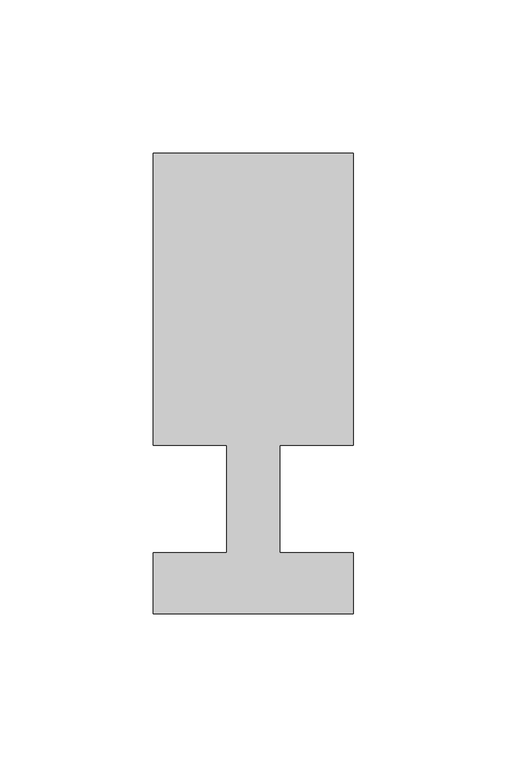
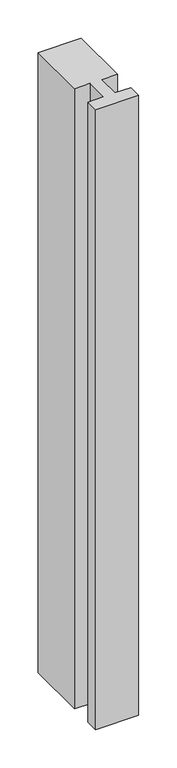
"""IFC4 building model written with IfcOpenShell, lengths in millimetres: member geometry."""

from ifc_helpers import new_model, si_unit, frame, origin, place, context, project, spatial, polyline, outline, extrude, source, transform, mapped, element, save


def member_0449fb15(model_context):
    return source(origin(), model_context, "Body", "SweptSolid", [
        extrude(outline(polyline([(-65.0, -37.0), (-65.0, -17.0), (-41.1875, -17.0), (-41.1875, 18.0), (-65.0, 18.0), (-65.0, 113.0), (0.0, 113.0), (0.0, 18.0), (-23.8125, 18.0), (-23.8125, -17.0), (0.0, -17.0), (0.0, -37.0), (-65.0, -37.0)])), frame((0.0, 0.0, -988.3333333), z_axis=(0.0, 0.0, 1.0), x_axis=(1.0, 0.0, 0.0)), (0.0, 0.0, 1.0), 988.3333333),
    ])


if __name__ == "__main__":
    model = new_model("IFC4")
    model_context = context("Model", 3, world=origin())
    ifc_project = project(units=[si_unit("LENGTHUNIT", "METRE", prefix="MILLI")], contexts=[model_context])
    site = spatial("IfcSite", under=ifc_project)
    building = spatial("IfcBuilding", under=site)
    placement = place(None, origin())
    member_shape = member_0449fb15(model_context)
    element("IfcMember", 1, at=placement, inside=building, context=model_context, shape_type="MappedRepresentation", body=[
        mapped(member_shape, transform((0.0, 0.0, 0.0), x_axis=(1.0, 0.0, 0.0), y_axis=(0.0, 1.0, 0.0), z_axis=(0.0, 0.0, 1.0))),
    ])
    save(model, "model.ifc")
